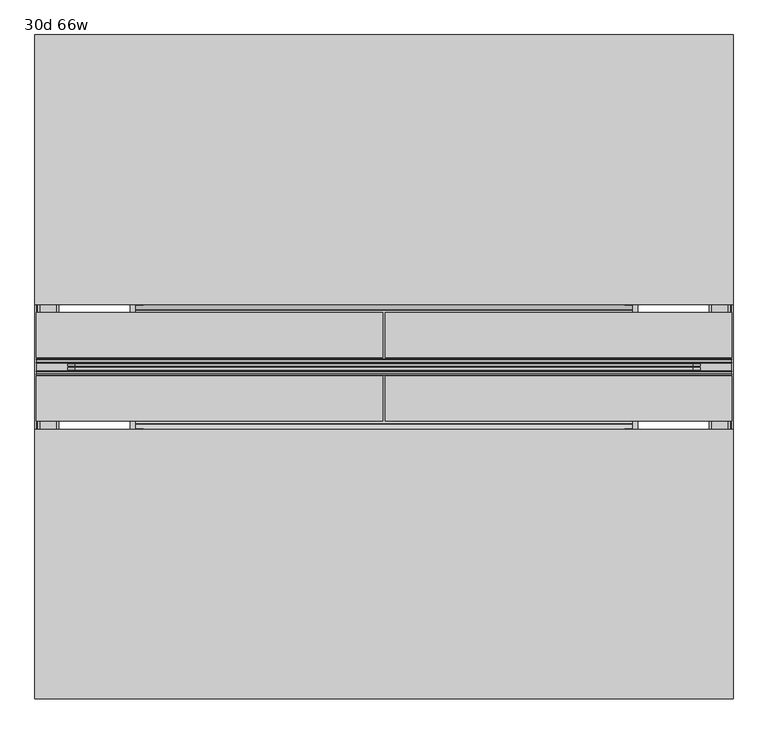
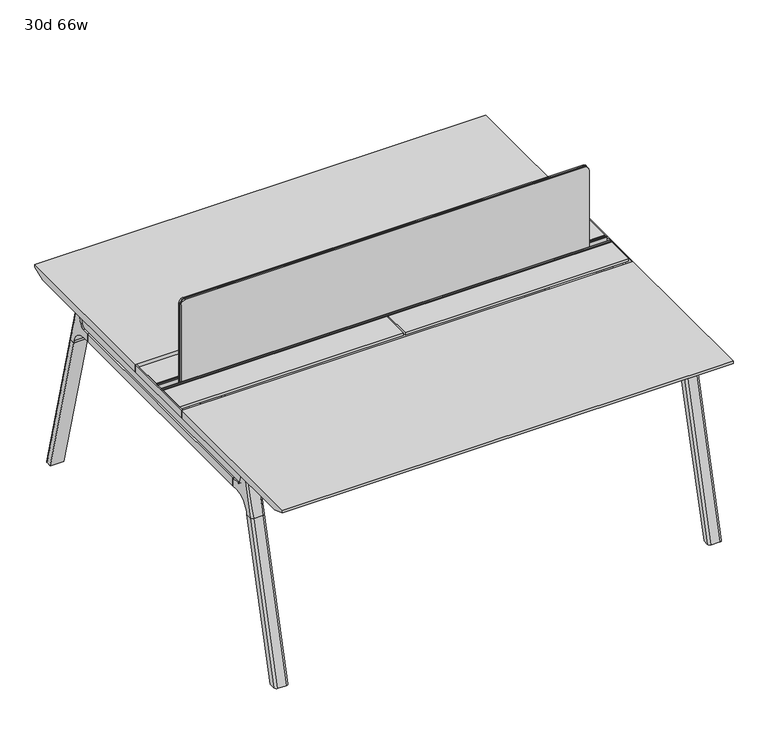
"""IFC4 building model written with IfcOpenShell, lengths in millimetres: furniture geometry, 30d 66w."""

from ifc_helpers import new_model, si_unit, point, frame, frame_2d, origin, place, context, project, spatial, polyline, circle_curve, ellipse_curve, trimmed, segment, composite_curve, outline, extrude, source, transform, mapped, element, save
from ifc_brep_helpers import plane_surface, cylinder_surface, revolved_surface, advanced_brep


def furniture_30d_66w_aaa3bb7a(model_context):
    return source(origin(), model_context, "Body", "SolidModel", [
        extrude(outline(composite_curve([segment(polyline([(1054.89375, 955.675), (1054.89375, -523.875)]), True, "CONTINUOUS"), segment(trimmed(circle_curve(frame_2d((1039.01875, -523.875)), 15.875), [point((1054.89375, -523.875))], [point((1039.01875, -539.75))], False, "CARTESIAN"), True, "CONTINUOUS"), segment(polyline([(1039.01875, -539.75), (720.725, -539.75), (720.725, 971.55), (1039.01875, 971.55)]), True, "CONTINUOUS"), segment(trimmed(circle_curve(frame_2d((1039.01875, 955.675)), 15.875), [point((1039.01875, 971.55))], [point((1054.89375, 955.675))], False, "CARTESIAN"), True, "CONTINUOUS")], self_intersect=False)), frame((0.0, -201.3409766, 0.0), z_axis=(0.0, 1.0, 0.0), x_axis=(0.0, 0.0, 1.0)), (0.0, 0.0, 1.0), 3.175),
        extrude(outline(composite_curve([segment(polyline([(1058.06875, 958.85), (1058.06875, -527.05)]), True, "CONTINUOUS"), segment(trimmed(circle_curve(frame_2d((1042.19375, -527.05)), 15.875), [point((1058.06875, -527.05))], [point((1042.19375, -542.925))], False, "CARTESIAN"), True, "CONTINUOUS"), segment(polyline([(1042.19375, -542.925), (717.55, -542.925), (717.55, 974.725), (1042.19375, 974.725)]), True, "CONTINUOUS"), segment(trimmed(circle_curve(frame_2d((1042.19375, 958.85)), 15.875), [point((1042.19375, 974.725))], [point((1058.06875, 958.85))], False, "CARTESIAN"), True, "CONTINUOUS")], self_intersect=False)), frame((0.0, -198.1659766, 0.0), z_axis=(0.0, 1.0, 0.0), x_axis=(0.0, 0.0, 1.0)), (0.0, 0.0, 1.0), 5.55625),
        extrude(outline(composite_curve([segment(polyline([(1058.06875, 958.85), (1058.06875, -527.05)]), True, "CONTINUOUS"), segment(trimmed(circle_curve(frame_2d((1042.19375, -527.05)), 15.875), [point((1058.06875, -527.05))], [point((1042.19375, -542.925))], False, "CARTESIAN"), True, "CONTINUOUS"), segment(polyline([(1042.19375, -542.925), (717.55, -542.925), (717.55, 974.725), (1042.19375, 974.725)]), True, "CONTINUOUS"), segment(trimmed(circle_curve(frame_2d((1042.19375, 958.85)), 15.875), [point((1042.19375, 974.725))], [point((1058.06875, 958.85))], False, "CARTESIAN"), True, "CONTINUOUS")], self_intersect=False)), frame((0.0, -206.8972266, 0.0), z_axis=(0.0, 1.0, 0.0), x_axis=(0.0, 0.0, 1.0)), (0.0, 0.0, 1.0), 5.55625),
        extrude(outline(polyline([(-348.9784469, 559.4636683), (-364.040663, 627.7843353), (-35.4662901, 627.7843353), (-50.5285062, 559.4636683), (-46.7502281, 557.2647146), (-46.7502281, 549.3667827), (-62.6252238, 521.8704736), (-336.8817293, 521.8704736), (-352.756725, 549.3667827), (-352.756725, 557.2647146), (-348.9784469, 559.4636683)])), frame((812.8, 0.0, 0.0), z_axis=(1.0, 0.0, 0.0), x_axis=(0.0, 1.0, 0.0)), (0.0, 0.0, 1.0), 12.7),
        extrude(outline(polyline([(-348.9784469, 559.4636683), (-364.040663, 627.7843353), (-35.4662901, 627.7843353), (-50.5285062, 559.4636683), (-46.7502281, 557.2647146), (-46.7502281, 549.3667827), (-62.6252238, 521.8704736), (-336.8817293, 521.8704736), (-352.756725, 549.3667827), (-352.756725, 557.2647146), (-348.9784469, 559.4636683)])), frame((-393.7, 0.0, 0.0), z_axis=(1.0, 0.0, 0.0), x_axis=(0.0, 1.0, 0.0)), (0.0, 0.0, 1.0), 12.7),
        extrude(outline(polyline([(-18.0090763, 698.5), (3.7767266, 698.5), (3.7767266, 697.2935087), (-17.4495292, 697.2935087), (-19.0070753, 695.7359626), (-49.1186716, 559.1528512), (-50.5285062, 559.4636683), (-20.404074, 696.1050023), (-18.0090763, 698.5)])), frame((-393.7, 0.0, 0.0), z_axis=(1.0, 0.0, 0.0), x_axis=(0.0, 1.0, 0.0)), (0.0, 0.0, 1.0), 31.8008024),
        extrude(outline(polyline([(-381.4978768, 698.5), (-379.1028791, 696.1050023), (-348.9784469, 559.4636683), (-350.3882815, 559.1528512), (-380.4998778, 695.7359626), (-382.0574239, 697.2935087), (-403.2836797, 697.2935087), (-403.2836797, 698.5), (-381.4978768, 698.5)])), frame((-393.7, 0.0, 0.0), z_axis=(1.0, 0.0, 0.0), x_axis=(0.0, 1.0, 0.0)), (0.0, 0.0, 1.0), 31.8008024),
        extrude(outline(polyline([(-18.0090763, 698.5), (3.7767266, 698.5), (3.7767266, 697.2935087), (-17.4495292, 697.2935087), (-19.0070753, 695.7359626), (-49.1186716, 559.1528512), (-50.5285062, 559.4636683), (-20.404074, 696.1050023), (-18.0090763, 698.5)])), frame((793.6991976, 0.0, 0.0), z_axis=(1.0, 0.0, 0.0), x_axis=(0.0, 1.0, 0.0)), (0.0, 0.0, 1.0), 31.8008024),
        extrude(outline(polyline([(-381.4978768, 698.5), (-379.1028791, 696.1050023), (-348.9784469, 559.4636683), (-350.3882815, 559.1528512), (-380.4998778, 695.7359626), (-382.0574239, 697.2935087), (-403.2836797, 697.2935087), (-403.2836797, 698.5), (-381.4978768, 698.5)])), frame((793.6991976, 0.0, 0.0), z_axis=(1.0, 0.0, 0.0), x_axis=(0.0, 1.0, 0.0)), (0.0, 0.0, 1.0), 31.8008024),
        extrude(outline(polyline([(-353.550475, 557.5934966), (-351.518477, 559.6254947), (-350.957211, 559.0642287), (-352.756725, 557.2647146), (-352.756725, 549.3667827), (-352.5317745, 548.5272622), (-337.4390802, 522.3859395), (-336.0037101, 521.5572272), (-63.503243, 521.5572272), (-62.0678729, 522.3859395), (-46.9751786, 548.5272622), (-46.7502281, 549.3667827), (-46.7502281, 557.2647146), (-48.5497421, 559.0642287), (-47.9884761, 559.6254947), (-45.9564781, 557.5934966), (-45.9564781, 549.2622828), (-46.2355217, 548.2208856), (-61.4868074, 521.8048744), (-63.2905581, 520.7634772), (-336.216395, 520.7634772), (-338.0201457, 521.8048744), (-353.2714314, 548.2208856), (-353.550475, 549.2622828), (-353.550475, 557.5934966)])), frame((-393.6492037, 0.0, 0.0), z_axis=(1.0, 0.0, 0.0), x_axis=(0.0, 1.0, 0.0)), (0.0, 0.0, 1.0), 1219.1492037),
        extrude(outline(polyline([(-218.8034766, 715.9625), (-218.8034766, 741.3625), (-217.2159766, 741.3625), (-217.2159766, 720.725), (-210.8659766, 720.725), (-210.8659766, 741.3625), (-209.2784766, 741.3625), (-209.2784766, 717.55), (-190.2284766, 717.55), (-190.2284766, 741.3625), (-188.6409766, 741.3625), (-188.6409766, 720.725), (-182.2909766, 720.725), (-182.2909766, 741.3625), (-180.7034766, 741.3625), (-180.7034766, 715.9625), (-218.8034766, 715.9625)])), frame((-619.125, 0.0, 0.0), z_axis=(1.0, 0.0, 0.0), x_axis=(0.0, 1.0, 0.0)), (0.0, 0.0, 1.0), 1670.05),
        extrude(outline(composite_curve([segment(polyline([(328.0902734, 711.2), (319.0321726, 677.3947076)]), True, "CONTINUOUS"), segment(trimmed(circle_curve(frame_2d((303.6981001, 681.5034599)), 15.875), [point((319.0321726, 677.3947076))], [point((303.6981001, 665.6284599))], False, "CARTESIAN"), True, "CONTINUOUS"), segment(polyline([(303.6981001, 665.6284599), (-703.2050533, 665.6284599)]), True, "CONTINUOUS"), segment(trimmed(circle_curve(frame_2d((-703.2050533, 681.5034599)), 15.875), [point((-703.2050533, 665.6284599))], [point((-718.5391258, 677.3947076))], False, "CARTESIAN"), True, "CONTINUOUS"), segment(polyline([(-718.5391258, 677.3947076), (-727.5972266, 711.2), (328.0902734, 711.2)]), True, "CONTINUOUS")], self_intersect=False)), frame((1003.3, 0.0, 0.0), z_axis=(1.0, 0.0, 0.0), x_axis=(0.0, 1.0, 0.0)), (0.0, 0.0, 1.0), 38.1),
        extrude(outline(polyline([(1047.75, 267.7652734), (1047.75, -667.2722266), (996.95, -667.2722266), (996.95, 267.7652734), (1047.75, 267.7652734)])), frame((0.0, 0.0, 635.6476591), z_axis=(0.0, 0.0, 1.0), x_axis=(1.0, 0.0, 0.0)), (0.0, 0.0, 1.0), 29.9808008),
        extrude(outline(composite_curve([segment(polyline([(328.0902734, 711.2), (319.0321726, 677.3947076)]), True, "CONTINUOUS"), segment(trimmed(circle_curve(frame_2d((303.6981001, 681.5034599)), 15.875), [point((319.0321726, 677.3947076))], [point((303.6981001, 665.6284599))], False, "CARTESIAN"), True, "CONTINUOUS"), segment(polyline([(303.6981001, 665.6284599), (-703.2050533, 665.6284599)]), True, "CONTINUOUS"), segment(trimmed(circle_curve(frame_2d((-703.2050533, 681.5034599)), 15.875), [point((-703.2050533, 665.6284599))], [point((-718.5391258, 677.3947076))], False, "CARTESIAN"), True, "CONTINUOUS"), segment(polyline([(-718.5391258, 677.3947076), (-727.5972266, 711.2), (328.0902734, 711.2)]), True, "CONTINUOUS")], self_intersect=False)), frame((-609.6, 0.0, 0.0), z_axis=(1.0, 0.0, 0.0), x_axis=(0.0, 1.0, 0.0)), (0.0, 0.0, 1.0), 38.1),
        extrude(outline(polyline([(-565.15, 267.7652734), (-565.15, -667.2722266), (-615.95, -667.2722266), (-615.95, 267.7652734), (-565.15, 267.7652734)])), frame((0.0, 0.0, 635.6476591), z_axis=(0.0, 0.0, 1.0), x_axis=(1.0, 0.0, 0.0)), (0.0, 0.0, 1.0), 29.9808008),
        advanced_brep(
        [(996.95, -721.2935553, 711.2), (996.95, -712.2354545, 677.3947076), (996.95, -696.901382, 665.6284599), (996.95, -667.2722266, 665.6284599), (996.95, -667.2722266, 635.6476591), (996.95, -690.1434588, 635.6476591), (996.95, -754.5465633, 586.2294189), (996.95, -757.1047754, 576.6820411), (996.95, -778.2087453, 576.6820411), (996.95, -742.7601017, 711.2), (1047.75, -757.1047754, 576.6820411), (1047.75, -754.5465633, 586.2294189), (1047.75, -690.1434588, 635.6476591), (1047.75, -667.2722266, 635.6476591), (1047.75, -667.2722266, 665.6284599), (1047.75, -696.901382, 665.6284599), (1047.75, -712.2354545, 677.3947076), (1047.75, -721.2935553, 711.2), (1047.75, -742.7601017, 711.2), (1047.75, -778.2087453, 576.6820411), (1003.2138162, -752.0149462, 711.2), (1041.4861838, -752.0149462, 711.2), (1038.225, -788.0589247, 576.6820411), (1006.475, -788.0589247, 576.6820411)],
        [
            (0, 1),
            (1, 2, circle_curve(frame((996.95, -696.901382, 681.5034599), z_axis=(1.0, 0.0, 0.0), x_axis=(0.0, -1.0, 0.0)), 15.875)),
            (2, 3),
            (3, 4),
            (4, 5),
            (5, 6, circle_curve(frame((996.95, -690.1434588, 568.9726591), z_axis=(1.0, 0.0, 0.0), x_axis=(0.0, -1.0, 0.0)), 66.675)),
            (6, 7),
            (7, 8),
            (8, 9),
            (9, 0),
            (10, 11),
            (11, 12, circle_curve(frame((1047.75, -690.1434588, 568.9726591), z_axis=(-1.0, 0.0, 0.0), x_axis=(0.0, -1.0, 0.0)), 66.675)),
            (12, 13),
            (13, 14),
            (14, 15),
            (15, 16, circle_curve(frame((1047.75, -696.901382, 681.5034599), z_axis=(-1.0, 0.0, 0.0), x_axis=(0.0, -1.0, 0.0)), 15.875)),
            (16, 17),
            (17, 18),
            (18, 19),
            (19, 10),
            (17, 0),
            (9, 20, ellipse_curve(frame((1006.475, -742.7601017, 711.2), z_axis=(0.0, 0.0, 1.0), x_axis=(0.0, -1.0, 0.0)), 9.8501793, 9.525)),
            (20, 21),
            (21, 18, ellipse_curve(frame((1038.225, -742.7601017, 711.2), z_axis=(0.0, 0.0, 1.0), x_axis=(0.0, -1.0, 0.0)), 9.8501793, 9.525)),
            (16, 1),
            (15, 2),
            (14, 3),
            (13, 4),
            (12, 5),
            (11, 6),
            (10, 7),
            (19, 22, ellipse_curve(frame((1038.225, -778.2087453, 576.6820411), z_axis=(0.0, 0.0, -1.0), x_axis=(0.0, -1.0, 0.0)), 9.8501793, 9.525)),
            (22, 23),
            (23, 8, ellipse_curve(frame((1006.475, -778.2087453, 576.6820411), z_axis=(0.0, 0.0, -1.0), x_axis=(0.0, -1.0, 0.0)), 9.8501793, 9.525)),
            (20, 23, ellipse_curve(frame((1006.475, -191.6892106, 2802.3641142), z_axis=(0.0, -0.9659258262890684, 0.2588190451025206), x_axis=(0.0, -0.2588190451025206, -0.9659258262890684)), 2304.1956354, 9.525)),
            (22, 21, ellipse_curve(frame((1038.225, -191.6892106, 2802.3641142), z_axis=(0.0, -0.9659258262890684, 0.2588190451025206), x_axis=(0.0, -0.2588190451025206, -0.9659258262890684)), 2304.1956354, 9.525)),
        ],
        [
            plane_surface(frame((996.95, -752.0149462, 711.2), z_axis=(-1.0, 0.0, 0.0), x_axis=(0.0, 1.0, 0.0))),
            plane_surface(frame((1047.75, -752.0149462, 711.2), z_axis=(1.0, 0.0, 0.0), x_axis=(0.0, -1.0, 0.0))),
            plane_surface(frame((996.95, -752.0149462, 711.2), z_axis=(0.0, 0.0, 1.0), x_axis=(1.0, 0.0, 0.0))),
            plane_surface(frame((996.95, -721.2935553, 711.2), z_axis=(0.0, 0.9659258262890683, 0.2588190451025207), x_axis=(1.0, 0.0, 0.0))),
            revolved_surface(polyline([(1047.75, -712.776382, 681.5034599), (996.95, -712.776382, 681.5034599)]), (1047.75, -696.901382, 681.5034599), (1.0, 0.0, 0.0)),
            plane_surface(frame((996.95, -696.901382, 665.6284599), z_axis=(0.0, 0.0, 1.0), x_axis=(1.0, 0.0, 0.0))),
            plane_surface(frame((996.95, -667.2722266, 665.6284599), z_axis=(0.0, 1.0, 0.0), x_axis=(1.0, 0.0, 0.0))),
            plane_surface(frame((996.95, -667.2722266, 635.6476591), z_axis=(0.0, 0.0, -1.0), x_axis=(1.0, 0.0, 0.0))),
            revolved_surface(polyline([(1047.75, -756.8184587999999, 568.9726591), (996.95, -756.8184587999999, 568.9726591)]), (1047.75, -690.1434588, 568.9726591), (1.0, 0.0, 0.0)),
            plane_surface(frame((996.95, -754.5465633, 586.2294189), z_axis=(0.0, 0.9659258262890693, -0.25881904510251696), x_axis=(1.0, 0.0, 0.0))),
            plane_surface(frame((996.95, -757.1047754, 576.6820411), z_axis=(0.0, 0.0, -1.0), x_axis=(1.0, 0.0, 0.0))),
            plane_surface(frame((996.95, -788.0589247, 576.6820411), z_axis=(0.0, -0.9659258262890684, 0.2588190451025206), x_axis=(1.0, 0.0, 0.0))),
            cylinder_surface(frame((1006.475, -930.8176402, -2.4271979), z_axis=(0.0, -0.25482392474081483, -0.966987470125486), x_axis=(1.0, 0.0, 0.0)), 9.525),
            cylinder_surface(frame((1038.225, -930.8176402, -2.4271979), z_axis=(0.0, -0.25482392474081483, -0.966987470125486), x_axis=(1.0, 0.0, 0.0)), 9.525),
        ],
        [
            (0, [[1, 2, 3, 4, 5, 6, 7, 8, 9, 10]]),
            (1, [[11, 12, 13, 14, 15, 16, 17, 18, 19, 20]]),
            (2, [[21, -10, 22, 23, 24, -18]]),
            (3, [[-1, -21, -17, 25]]),
            (4, [[-2, -25, -16, 26]]),
            (5, [[-3, -26, -15, 27]]),
            (6, [[-4, -27, -14, 28]]),
            (7, [[-5, -28, -13, 29]]),
            (8, [[-6, -29, -12, 30]]),
            (9, [[-7, -30, -11, 31]]),
            (10, [[-31, -20, 32, 33, 34, -8]]),
            (11, [[-23, 35, -33, 36]]),
            (12, [[-9, -34, -35, -22]]),
            (13, [[-19, -24, -36, -32]]),
        ],
    ),
        advanced_brep(
        [(996.95, -757.1047754, 576.6820411), (996.95, -909.0740466, 0.0), (996.95, -930.1780165, 0.0), (996.95, -778.2087453, 576.6820411), (1047.75, -909.0740466, 0.0), (1047.75, -757.1047754, 576.6820411), (1047.75, -778.2087453, 576.6820411), (1047.75, -930.1780165, 0.0), (1006.475, -788.0589247, 576.6820411), (1038.225, -788.0589247, 576.6820411), (1038.225, -940.0281958, 0.0), (1006.475, -940.0281958, 0.0)],
        [
            (0, 1),
            (1, 2),
            (2, 3),
            (3, 0),
            (4, 5),
            (5, 6),
            (6, 7),
            (7, 4),
            (5, 0),
            (3, 8, ellipse_curve(frame((1006.475, -778.2087453, 576.6820411), z_axis=(0.0, 0.0, 1.0), x_axis=(0.0, -1.0, 0.0)), 9.8501793, 9.525)),
            (8, 9),
            (9, 6, ellipse_curve(frame((1038.225, -778.2087453, 576.6820411), z_axis=(0.0, 0.0, 1.0), x_axis=(0.0, -1.0, 0.0)), 9.8501793, 9.525)),
            (4, 1),
            (7, 10, ellipse_curve(frame((1038.225, -930.1780165, 0.0), z_axis=(0.0, 0.0, -1.0), x_axis=(0.0, -1.0, 0.0)), 9.8501793, 9.525)),
            (10, 11),
            (11, 2, ellipse_curve(frame((1006.475, -930.1780165, 0.0), z_axis=(0.0, 0.0, -1.0), x_axis=(0.0, -1.0, 0.0)), 9.8501793, 9.525)),
            (8, 11),
            (10, 9),
        ],
        [
            plane_surface(frame((996.95, -788.0589247, 576.6820411), z_axis=(-1.0, 0.0, 0.0), x_axis=(0.0, 1.0, 0.0))),
            plane_surface(frame((1047.75, -788.0589247, 576.6820411), z_axis=(1.0, 0.0, 0.0), x_axis=(0.0, -1.0, 0.0))),
            plane_surface(frame((996.95, -788.0589247, 576.6820411), z_axis=(0.0, 0.0, 1.0), x_axis=(1.0, 0.0, 0.0))),
            plane_surface(frame((996.95, -757.1047754, 576.6820411), z_axis=(0.0, 0.9669874701254844, -0.2548239247408208), x_axis=(1.0, 0.0, 0.0))),
            plane_surface(frame((996.95, -909.0740466, 0.0), z_axis=(0.0, 0.0, -1.0), x_axis=(1.0, 0.0, 0.0))),
            plane_surface(frame((996.95, -940.0281958, 0.0), z_axis=(0.0, -0.9669874701254855, 0.2548239247408166), x_axis=(1.0, 0.0, 0.0))),
            cylinder_surface(frame((1006.475, -930.8176402, -2.4271979), z_axis=(0.0, -0.25482392474081483, -0.966987470125486), x_axis=(1.0, 0.0, 0.0)), 9.525),
            cylinder_surface(frame((1038.225, -930.8176402, -2.4271979), z_axis=(0.0, -0.25482392474081483, -0.966987470125486), x_axis=(1.0, 0.0, 0.0)), 9.525),
        ],
        [
            (0, [[1, 2, 3, 4]]),
            (1, [[5, 6, 7, 8]]),
            (2, [[9, -4, 10, 11, 12, -6]]),
            (3, [[-1, -9, -5, 13]]),
            (4, [[-13, -8, 14, 15, 16, -2]]),
            (5, [[-11, 17, -15, 18]]),
            (6, [[-3, -16, -17, -10]]),
            (7, [[-7, -12, -18, -14]]),
        ],
    ),
        advanced_brep(
        [(1047.75, 321.7866022, 711.2), (1047.75, 312.7285014, 677.3947076), (1047.75, 297.3944289, 665.6284599), (1047.75, 267.7652734, 665.6284599), (1047.75, 267.7652734, 635.6476591), (1047.75, 290.6365057, 635.6476591), (1047.75, 355.0396101, 586.2294189), (1047.75, 357.5978223, 576.6820411), (1047.75, 378.7017922, 576.6820411), (1047.75, 343.2531486, 711.2), (996.95, 357.5978223, 576.6820411), (996.95, 355.0396101, 586.2294189), (996.95, 290.6365057, 635.6476591), (996.95, 267.7652734, 635.6476591), (996.95, 267.7652734, 665.6284599), (996.95, 297.3944289, 665.6284599), (996.95, 312.7285014, 677.3947076), (996.95, 321.7866022, 711.2), (996.95, 343.2531486, 711.2), (996.95, 378.7017922, 576.6820411), (1041.4861838, 352.5079931, 711.2), (1003.2138162, 352.5079931, 711.2), (1006.475, 388.5519716, 576.6820411), (1038.225, 388.5519716, 576.6820411)],
        [
            (0, 1),
            (1, 2, circle_curve(frame((1047.75, 297.3944289, 681.5034599), z_axis=(-1.0, 0.0, 0.0), x_axis=(0.0, 1.0, 0.0)), 15.875)),
            (2, 3),
            (3, 4),
            (4, 5),
            (5, 6, circle_curve(frame((1047.75, 290.6365057, 568.9726591), z_axis=(-1.0, 0.0, 0.0), x_axis=(0.0, 1.0, 0.0)), 66.675)),
            (6, 7),
            (7, 8),
            (8, 9),
            (9, 0),
            (10, 11),
            (11, 12, circle_curve(frame((996.95, 290.6365057, 568.9726591), z_axis=(1.0, 0.0, 0.0), x_axis=(0.0, 1.0, 0.0)), 66.675)),
            (12, 13),
            (13, 14),
            (14, 15),
            (15, 16, circle_curve(frame((996.95, 297.3944289, 681.5034599), z_axis=(1.0, 0.0, 0.0), x_axis=(0.0, 1.0, 0.0)), 15.875)),
            (16, 17),
            (17, 18),
            (18, 19),
            (19, 10),
            (17, 0),
            (9, 20, ellipse_curve(frame((1038.225, 343.2531486, 711.2), z_axis=(0.0, 0.0, 1.0), x_axis=(0.0, 1.0, 0.0)), 9.8501793, 9.525)),
            (20, 21),
            (21, 18, ellipse_curve(frame((1006.475, 343.2531486, 711.2), z_axis=(0.0, 0.0, 1.0), x_axis=(0.0, 1.0, 0.0)), 9.8501793, 9.525)),
            (16, 1),
            (15, 2),
            (14, 3),
            (13, 4),
            (12, 5),
            (11, 6),
            (10, 7),
            (19, 22, ellipse_curve(frame((1006.475, 378.7017922, 576.6820411), z_axis=(0.0, 0.0, -1.0), x_axis=(0.0, 1.0, 0.0)), 9.8501793, 9.525)),
            (22, 23),
            (23, 8, ellipse_curve(frame((1038.225, 378.7017922, 576.6820411), z_axis=(0.0, 0.0, -1.0), x_axis=(0.0, 1.0, 0.0)), 9.8501793, 9.525)),
            (20, 23, ellipse_curve(frame((1038.225, -207.8177425, 2802.3641142), z_axis=(0.0, 0.9659258262890684, 0.2588190451025206), x_axis=(0.0, 0.2588190451025206, -0.9659258262890684)), 2304.1956354, 9.525)),
            (22, 21, ellipse_curve(frame((1006.475, -207.8177425, 2802.3641142), z_axis=(0.0, 0.9659258262890684, 0.2588190451025206), x_axis=(0.0, 0.2588190451025206, -0.9659258262890684)), 2304.1956354, 9.525)),
        ],
        [
            plane_surface(frame((1047.75, 352.5079931, 711.2), z_axis=(1.0, 0.0, 0.0), x_axis=(0.0, -1.0, 0.0))),
            plane_surface(frame((996.95, 352.5079931, 711.2), z_axis=(-1.0, 0.0, 0.0), x_axis=(0.0, 1.0, 0.0))),
            plane_surface(frame((1047.75, 352.5079931, 711.2), z_axis=(0.0, 0.0, 1.0), x_axis=(-1.0, 0.0, 0.0))),
            plane_surface(frame((1047.75, 321.7866022, 711.2), z_axis=(0.0, -0.9659258262890683, 0.2588190451025207), x_axis=(-1.0, 0.0, 0.0))),
            revolved_surface(polyline([(996.95, 313.2694289, 681.5034599), (1047.75, 313.2694289, 681.5034599)]), (996.95, 297.3944289, 681.5034599), (-1.0, 0.0, 0.0)),
            plane_surface(frame((1047.75, 297.3944289, 665.6284599), z_axis=(0.0, 0.0, 1.0), x_axis=(-1.0, 0.0, 0.0))),
            plane_surface(frame((1047.75, 267.7652734, 665.6284599), z_axis=(0.0, -1.0, 0.0), x_axis=(-1.0, 0.0, 0.0))),
            plane_surface(frame((1047.75, 267.7652734, 635.6476591), z_axis=(0.0, 0.0, -1.0), x_axis=(-1.0, 0.0, 0.0))),
            revolved_surface(polyline([(996.95, 357.3115057, 568.9726591), (1047.75, 357.3115057, 568.9726591)]), (996.95, 290.6365057, 568.9726591), (-1.0, 0.0, 0.0)),
            plane_surface(frame((1047.75, 355.0396101, 586.2294189), z_axis=(0.0, -0.9659258262890693, -0.25881904510251696), x_axis=(-1.0, 0.0, 0.0))),
            plane_surface(frame((1047.75, 357.5978223, 576.6820411), z_axis=(0.0, 0.0, -1.0), x_axis=(-1.0, 0.0, 0.0))),
            plane_surface(frame((1047.75, 388.5519716, 576.6820411), z_axis=(0.0, 0.9659258262890684, 0.2588190451025206), x_axis=(-1.0, 0.0, 0.0))),
            cylinder_surface(frame((1038.225, 531.3106871, -2.4271979), z_axis=(0.0, 0.25482392474081483, -0.966987470125486), x_axis=(-1.0, 0.0, 0.0)), 9.525),
            cylinder_surface(frame((1006.475, 531.3106871, -2.4271979), z_axis=(0.0, 0.25482392474081483, -0.966987470125486), x_axis=(-1.0, 0.0, 0.0)), 9.525),
        ],
        [
            (0, [[1, 2, 3, 4, 5, 6, 7, 8, 9, 10]]),
            (1, [[11, 12, 13, 14, 15, 16, 17, 18, 19, 20]]),
            (2, [[21, -10, 22, 23, 24, -18]]),
            (3, [[-1, -21, -17, 25]]),
            (4, [[-2, -25, -16, 26]]),
            (5, [[-3, -26, -15, 27]]),
            (6, [[-4, -27, -14, 28]]),
            (7, [[-5, -28, -13, 29]]),
            (8, [[-6, -29, -12, 30]]),
            (9, [[-7, -30, -11, 31]]),
            (10, [[-31, -20, 32, 33, 34, -8]]),
            (11, [[-23, 35, -33, 36]]),
            (12, [[-9, -34, -35, -22]]),
            (13, [[-19, -24, -36, -32]]),
        ],
    ),
        advanced_brep(
        [(1047.75, 357.5978223, 576.6820411), (1047.75, 509.5670935, 0.0), (1047.75, 530.6710634, 0.0), (1047.75, 378.7017922, 576.6820411), (996.95, 509.5670935, 0.0), (996.95, 357.5978223, 576.6820411), (996.95, 378.7017922, 576.6820411), (996.95, 530.6710634, 0.0), (1038.225, 388.5519716, 576.6820411), (1006.475, 388.5519716, 576.6820411), (1006.475, 540.5212427, 0.0), (1038.225, 540.5212427, 0.0)],
        [
            (0, 1),
            (1, 2),
            (2, 3),
            (3, 0),
            (4, 5),
            (5, 6),
            (6, 7),
            (7, 4),
            (5, 0),
            (3, 8, ellipse_curve(frame((1038.225, 378.7017922, 576.6820411), z_axis=(0.0, 0.0, 1.0), x_axis=(0.0, 1.0, 0.0)), 9.8501793, 9.525)),
            (8, 9),
            (9, 6, ellipse_curve(frame((1006.475, 378.7017922, 576.6820411), z_axis=(0.0, 0.0, 1.0), x_axis=(0.0, 1.0, 0.0)), 9.8501793, 9.525)),
            (4, 1),
            (7, 10, ellipse_curve(frame((1006.475, 530.6710634, 0.0), z_axis=(0.0, 0.0, -1.0), x_axis=(0.0, 1.0, 0.0)), 9.8501793, 9.525)),
            (10, 11),
            (11, 2, ellipse_curve(frame((1038.225, 530.6710634, 0.0), z_axis=(0.0, 0.0, -1.0), x_axis=(0.0, 1.0, 0.0)), 9.8501793, 9.525)),
            (8, 11),
            (10, 9),
        ],
        [
            plane_surface(frame((1047.75, 388.5519716, 576.6820411), z_axis=(1.0, 0.0, 0.0), x_axis=(0.0, -1.0, 0.0))),
            plane_surface(frame((996.95, 388.5519716, 576.6820411), z_axis=(-1.0, 0.0, 0.0), x_axis=(0.0, 1.0, 0.0))),
            plane_surface(frame((1047.75, 388.5519716, 576.6820411), z_axis=(0.0, 0.0, 1.0), x_axis=(-1.0, 0.0, 0.0))),
            plane_surface(frame((1047.75, 357.5978223, 576.6820411), z_axis=(0.0, -0.9669874701254844, -0.2548239247408208), x_axis=(-1.0, 0.0, 0.0))),
            plane_surface(frame((1047.75, 509.5670935, 0.0), z_axis=(0.0, 0.0, -1.0), x_axis=(-1.0, 0.0, 0.0))),
            plane_surface(frame((1047.75, 540.5212427, 0.0), z_axis=(0.0, 0.9669874701254855, 0.2548239247408166), x_axis=(-1.0, 0.0, 0.0))),
            cylinder_surface(frame((1038.225, 531.3106871, -2.4271979), z_axis=(0.0, 0.25482392474081483, -0.966987470125486), x_axis=(-1.0, 0.0, 0.0)), 9.525),
            cylinder_surface(frame((1006.475, 531.3106871, -2.4271979), z_axis=(0.0, 0.25482392474081483, -0.966987470125486), x_axis=(-1.0, 0.0, 0.0)), 9.525),
        ],
        [
            (0, [[1, 2, 3, 4]]),
            (1, [[5, 6, 7, 8]]),
            (2, [[9, -4, 10, 11, 12, -6]]),
            (3, [[-1, -9, -5, 13]]),
            (4, [[-13, -8, 14, 15, 16, -2]]),
            (5, [[-11, 17, -15, 18]]),
            (6, [[-3, -16, -17, -10]]),
            (7, [[-7, -12, -18, -14]]),
        ],
    ),
        advanced_brep(
        [(-565.15, 321.7866022, 711.2), (-565.15, 312.7285014, 677.3947076), (-565.15, 297.3944289, 665.6284599), (-565.15, 267.7652734, 665.6284599), (-565.15, 267.7652734, 635.6476591), (-565.15, 290.6365057, 635.6476591), (-565.15, 355.0396101, 586.2294189), (-565.15, 357.5978223, 576.6820411), (-565.15, 378.7017922, 576.6820411), (-565.15, 343.2531486, 711.2), (-615.95, 357.5978223, 576.6820411), (-615.95, 355.0396101, 586.2294189), (-615.95, 290.6365057, 635.6476591), (-615.95, 267.7652734, 635.6476591), (-615.95, 267.7652734, 665.6284599), (-615.95, 297.3944289, 665.6284599), (-615.95, 312.7285014, 677.3947076), (-615.95, 321.7866022, 711.2), (-615.95, 343.2531486, 711.2), (-615.95, 378.7017922, 576.6820411), (-571.4138162, 352.5079931, 711.2), (-609.6861838, 352.5079931, 711.2), (-606.425, 388.5519716, 576.6820411), (-574.675, 388.5519716, 576.6820411)],
        [
            (0, 1),
            (1, 2, circle_curve(frame((-565.15, 297.3944289, 681.5034599), z_axis=(-1.0, 0.0, 0.0), x_axis=(0.0, 1.0, 0.0)), 15.875)),
            (2, 3),
            (3, 4),
            (4, 5),
            (5, 6, circle_curve(frame((-565.15, 290.6365057, 568.9726591), z_axis=(-1.0, 0.0, 0.0), x_axis=(0.0, 1.0, 0.0)), 66.675)),
            (6, 7),
            (7, 8),
            (8, 9),
            (9, 0),
            (10, 11),
            (11, 12, circle_curve(frame((-615.95, 290.6365057, 568.9726591), z_axis=(1.0, 0.0, 0.0), x_axis=(0.0, 1.0, 0.0)), 66.675)),
            (12, 13),
            (13, 14),
            (14, 15),
            (15, 16, circle_curve(frame((-615.95, 297.3944289, 681.5034599), z_axis=(1.0, 0.0, 0.0), x_axis=(0.0, 1.0, 0.0)), 15.875)),
            (16, 17),
            (17, 18),
            (18, 19),
            (19, 10),
            (17, 0),
            (9, 20, ellipse_curve(frame((-574.675, 343.2531486, 711.2), z_axis=(0.0, 0.0, 1.0), x_axis=(0.0, 1.0, 0.0)), 9.8501793, 9.525)),
            (20, 21),
            (21, 18, ellipse_curve(frame((-606.425, 343.2531486, 711.2), z_axis=(0.0, 0.0, 1.0), x_axis=(0.0, 1.0, 0.0)), 9.8501793, 9.525)),
            (16, 1),
            (15, 2),
            (14, 3),
            (13, 4),
            (12, 5),
            (11, 6),
            (10, 7),
            (19, 22, ellipse_curve(frame((-606.425, 378.7017922, 576.6820411), z_axis=(0.0, 0.0, -1.0), x_axis=(0.0, 1.0, 0.0)), 9.8501793, 9.525)),
            (22, 23),
            (23, 8, ellipse_curve(frame((-574.675, 378.7017922, 576.6820411), z_axis=(0.0, 0.0, -1.0), x_axis=(0.0, 1.0, 0.0)), 9.8501793, 9.525)),
            (20, 23, ellipse_curve(frame((-574.675, -207.8177425, 2802.3641142), z_axis=(0.0, 0.9659258262890684, 0.2588190451025206), x_axis=(0.0, 0.2588190451025206, -0.9659258262890684)), 2304.1956354, 9.525)),
            (22, 21, ellipse_curve(frame((-606.425, -207.8177425, 2802.3641142), z_axis=(0.0, 0.9659258262890684, 0.2588190451025206), x_axis=(0.0, 0.2588190451025206, -0.9659258262890684)), 2304.1956354, 9.525)),
        ],
        [
            plane_surface(frame((-565.15, 352.5079931, 711.2), z_axis=(1.0, 0.0, 0.0), x_axis=(0.0, -1.0, 0.0))),
            plane_surface(frame((-615.95, 352.5079931, 711.2), z_axis=(-1.0, 0.0, 0.0), x_axis=(0.0, 1.0, 0.0))),
            plane_surface(frame((-565.15, 352.5079931, 711.2), z_axis=(0.0, 0.0, 1.0), x_axis=(-1.0, 0.0, 0.0))),
            plane_surface(frame((-565.15, 321.7866022, 711.2), z_axis=(0.0, -0.9659258262890683, 0.2588190451025207), x_axis=(-1.0, 0.0, 0.0))),
            revolved_surface(polyline([(-615.95, 313.2694289, 681.5034599), (-565.15, 313.2694289, 681.5034599)]), (-615.95, 297.3944289, 681.5034599), (-1.0, 0.0, 0.0)),
            plane_surface(frame((-565.15, 297.3944289, 665.6284599), z_axis=(0.0, 0.0, 1.0), x_axis=(-1.0, 0.0, 0.0))),
            plane_surface(frame((-565.15, 267.7652734, 665.6284599), z_axis=(0.0, -1.0, 0.0), x_axis=(-1.0, 0.0, 0.0))),
            plane_surface(frame((-565.15, 267.7652734, 635.6476591), z_axis=(0.0, 0.0, -1.0), x_axis=(-1.0, 0.0, 0.0))),
            revolved_surface(polyline([(-615.95, 357.3115057, 568.9726591), (-565.15, 357.3115057, 568.9726591)]), (-615.95, 290.6365057, 568.9726591), (-1.0, 0.0, 0.0)),
            plane_surface(frame((-565.15, 355.0396101, 586.2294189), z_axis=(0.0, -0.9659258262890693, -0.25881904510251696), x_axis=(-1.0, 0.0, 0.0))),
            plane_surface(frame((-565.15, 357.5978223, 576.6820411), z_axis=(0.0, 0.0, -1.0), x_axis=(-1.0, 0.0, 0.0))),
            plane_surface(frame((-565.15, 388.5519716, 576.6820411), z_axis=(0.0, 0.9659258262890684, 0.2588190451025206), x_axis=(-1.0, 0.0, 0.0))),
            cylinder_surface(frame((-574.675, 531.3106871, -2.4271979), z_axis=(0.0, 0.25482392474081483, -0.966987470125486), x_axis=(-1.0, 0.0, 0.0)), 9.525),
            cylinder_surface(frame((-606.425, 531.3106871, -2.4271979), z_axis=(0.0, 0.25482392474081483, -0.966987470125486), x_axis=(-1.0, 0.0, 0.0)), 9.525),
        ],
        [
            (0, [[1, 2, 3, 4, 5, 6, 7, 8, 9, 10]]),
            (1, [[11, 12, 13, 14, 15, 16, 17, 18, 19, 20]]),
            (2, [[21, -10, 22, 23, 24, -18]]),
            (3, [[-1, -21, -17, 25]]),
            (4, [[-2, -25, -16, 26]]),
            (5, [[-3, -26, -15, 27]]),
            (6, [[-4, -27, -14, 28]]),
            (7, [[-5, -28, -13, 29]]),
            (8, [[-6, -29, -12, 30]]),
            (9, [[-7, -30, -11, 31]]),
            (10, [[-31, -20, 32, 33, 34, -8]]),
            (11, [[-23, 35, -33, 36]]),
            (12, [[-9, -34, -35, -22]]),
            (13, [[-19, -24, -36, -32]]),
        ],
    ),
        advanced_brep(
        [(-565.15, 357.5978223, 576.6820411), (-565.15, 509.5670935, 0.0), (-565.15, 530.6710634, 0.0), (-565.15, 378.7017922, 576.6820411), (-615.95, 509.5670935, 0.0), (-615.95, 357.5978223, 576.6820411), (-615.95, 378.7017922, 576.6820411), (-615.95, 530.6710634, 0.0), (-574.675, 388.5519716, 576.6820411), (-606.425, 388.5519716, 576.6820411), (-606.425, 540.5212427, 0.0), (-574.675, 540.5212427, 0.0)],
        [
            (0, 1),
            (1, 2),
            (2, 3),
            (3, 0),
            (4, 5),
            (5, 6),
            (6, 7),
            (7, 4),
            (5, 0),
            (3, 8, ellipse_curve(frame((-574.675, 378.7017922, 576.6820411), z_axis=(0.0, 0.0, 1.0), x_axis=(0.0, 1.0, 0.0)), 9.8501793, 9.525)),
            (8, 9),
            (9, 6, ellipse_curve(frame((-606.425, 378.7017922, 576.6820411), z_axis=(0.0, 0.0, 1.0), x_axis=(0.0, 1.0, 0.0)), 9.8501793, 9.525)),
            (4, 1),
            (7, 10, ellipse_curve(frame((-606.425, 530.6710634, 0.0), z_axis=(0.0, 0.0, -1.0), x_axis=(0.0, 1.0, 0.0)), 9.8501793, 9.525)),
            (10, 11),
            (11, 2, ellipse_curve(frame((-574.675, 530.6710634, 0.0), z_axis=(0.0, 0.0, -1.0), x_axis=(0.0, 1.0, 0.0)), 9.8501793, 9.525)),
            (8, 11),
            (10, 9),
        ],
        [
            plane_surface(frame((-565.15, 388.5519716, 576.6820411), z_axis=(1.0, 0.0, 0.0), x_axis=(0.0, -1.0, 0.0))),
            plane_surface(frame((-615.95, 388.5519716, 576.6820411), z_axis=(-1.0, 0.0, 0.0), x_axis=(0.0, 1.0, 0.0))),
            plane_surface(frame((-565.15, 388.5519716, 576.6820411), z_axis=(0.0, 0.0, 1.0), x_axis=(-1.0, 0.0, 0.0))),
            plane_surface(frame((-565.15, 357.5978223, 576.6820411), z_axis=(0.0, -0.9669874701254844, -0.2548239247408208), x_axis=(-1.0, 0.0, 0.0))),
            plane_surface(frame((-565.15, 509.5670935, 0.0), z_axis=(0.0, 0.0, -1.0), x_axis=(-1.0, 0.0, 0.0))),
            plane_surface(frame((-565.15, 540.5212427, 0.0), z_axis=(0.0, 0.9669874701254855, 0.2548239247408166), x_axis=(-1.0, 0.0, 0.0))),
            cylinder_surface(frame((-574.675, 531.3106871, -2.4271979), z_axis=(0.0, 0.25482392474081483, -0.966987470125486), x_axis=(-1.0, 0.0, 0.0)), 9.525),
            cylinder_surface(frame((-606.425, 531.3106871, -2.4271979), z_axis=(0.0, 0.25482392474081483, -0.966987470125486), x_axis=(-1.0, 0.0, 0.0)), 9.525),
        ],
        [
            (0, [[1, 2, 3, 4]]),
            (1, [[5, 6, 7, 8]]),
            (2, [[9, -4, 10, 11, 12, -6]]),
            (3, [[-1, -9, -5, 13]]),
            (4, [[-13, -8, 14, 15, 16, -2]]),
            (5, [[-11, 17, -15, 18]]),
            (6, [[-3, -16, -17, -10]]),
            (7, [[-7, -12, -18, -14]]),
        ],
    ),
        advanced_brep(
        [(-615.95, -721.2935553, 711.2), (-615.95, -712.2354545, 677.3947076), (-615.95, -696.901382, 665.6284599), (-615.95, -667.2722266, 665.6284599), (-615.95, -667.2722266, 635.6476591), (-615.95, -690.1434588, 635.6476591), (-615.95, -754.5465633, 586.2294189), (-615.95, -757.1047754, 576.6820411), (-615.95, -778.2087453, 576.6820411), (-615.95, -742.7601017, 711.2), (-565.15, -757.1047754, 576.6820411), (-565.15, -754.5465633, 586.2294189), (-565.15, -690.1434588, 635.6476591), (-565.15, -667.2722266, 635.6476591), (-565.15, -667.2722266, 665.6284599), (-565.15, -696.901382, 665.6284599), (-565.15, -712.2354545, 677.3947076), (-565.15, -721.2935553, 711.2), (-565.15, -742.7601017, 711.2), (-565.15, -778.2087453, 576.6820411), (-609.6861838, -752.0149462, 711.2), (-571.4138162, -752.0149462, 711.2), (-574.675, -788.0589247, 576.6820411), (-606.425, -788.0589247, 576.6820411)],
        [
            (0, 1),
            (1, 2, circle_curve(frame((-615.95, -696.901382, 681.5034599), z_axis=(1.0, 0.0, 0.0), x_axis=(0.0, -1.0, 0.0)), 15.875)),
            (2, 3),
            (3, 4),
            (4, 5),
            (5, 6, circle_curve(frame((-615.95, -690.1434588, 568.9726591), z_axis=(1.0, 0.0, 0.0), x_axis=(0.0, -1.0, 0.0)), 66.675)),
            (6, 7),
            (7, 8),
            (8, 9),
            (9, 0),
            (10, 11),
            (11, 12, circle_curve(frame((-565.15, -690.1434588, 568.9726591), z_axis=(-1.0, 0.0, 0.0), x_axis=(0.0, -1.0, 0.0)), 66.675)),
            (12, 13),
            (13, 14),
            (14, 15),
            (15, 16, circle_curve(frame((-565.15, -696.901382, 681.5034599), z_axis=(-1.0, 0.0, 0.0), x_axis=(0.0, -1.0, 0.0)), 15.875)),
            (16, 17),
            (17, 18),
            (18, 19),
            (19, 10),
            (17, 0),
            (9, 20, ellipse_curve(frame((-606.425, -742.7601017, 711.2), z_axis=(0.0, 0.0, 1.0), x_axis=(0.0, -1.0, 0.0)), 9.8501793, 9.525)),
            (20, 21),
            (21, 18, ellipse_curve(frame((-574.675, -742.7601017, 711.2), z_axis=(0.0, 0.0, 1.0), x_axis=(0.0, -1.0, 0.0)), 9.8501793, 9.525)),
            (16, 1),
            (15, 2),
            (14, 3),
            (13, 4),
            (12, 5),
            (11, 6),
            (10, 7),
            (19, 22, ellipse_curve(frame((-574.675, -778.2087453, 576.6820411), z_axis=(0.0, 0.0, -1.0), x_axis=(0.0, -1.0, 0.0)), 9.8501793, 9.525)),
            (22, 23),
            (23, 8, ellipse_curve(frame((-606.425, -778.2087453, 576.6820411), z_axis=(0.0, 0.0, -1.0), x_axis=(0.0, -1.0, 0.0)), 9.8501793, 9.525)),
            (20, 23, ellipse_curve(frame((-606.425, -191.6892106, 2802.3641142), z_axis=(0.0, -0.9659258262890684, 0.2588190451025206), x_axis=(0.0, -0.2588190451025206, -0.9659258262890684)), 2304.1956354, 9.525)),
            (22, 21, ellipse_curve(frame((-574.675, -191.6892106, 2802.3641142), z_axis=(0.0, -0.9659258262890684, 0.2588190451025206), x_axis=(0.0, -0.2588190451025206, -0.9659258262890684)), 2304.1956354, 9.525)),
        ],
        [
            plane_surface(frame((-615.95, -752.0149462, 711.2), z_axis=(-1.0, 0.0, 0.0), x_axis=(0.0, 1.0, 0.0))),
            plane_surface(frame((-565.15, -752.0149462, 711.2), z_axis=(1.0, 0.0, 0.0), x_axis=(0.0, -1.0, 0.0))),
            plane_surface(frame((-615.95, -752.0149462, 711.2), z_axis=(0.0, 0.0, 1.0), x_axis=(1.0, 0.0, 0.0))),
            plane_surface(frame((-615.95, -721.2935553, 711.2), z_axis=(0.0, 0.9659258262890683, 0.2588190451025207), x_axis=(1.0, 0.0, 0.0))),
            revolved_surface(polyline([(-565.15, -712.776382, 681.5034599), (-615.95, -712.776382, 681.5034599)]), (-565.15, -696.901382, 681.5034599), (1.0, 0.0, 0.0)),
            plane_surface(frame((-615.95, -696.901382, 665.6284599), z_axis=(0.0, 0.0, 1.0), x_axis=(1.0, 0.0, 0.0))),
            plane_surface(frame((-615.95, -667.2722266, 665.6284599), z_axis=(0.0, 1.0, 0.0), x_axis=(1.0, 0.0, 0.0))),
            plane_surface(frame((-615.95, -667.2722266, 635.6476591), z_axis=(0.0, 0.0, -1.0), x_axis=(1.0, 0.0, 0.0))),
            revolved_surface(polyline([(-565.15, -756.8184587999999, 568.9726591), (-615.95, -756.8184587999999, 568.9726591)]), (-565.15, -690.1434588, 568.9726591), (1.0, 0.0, 0.0)),
            plane_surface(frame((-615.95, -754.5465633, 586.2294189), z_axis=(0.0, 0.9659258262890693, -0.25881904510251696), x_axis=(1.0, 0.0, 0.0))),
            plane_surface(frame((-615.95, -757.1047754, 576.6820411), z_axis=(0.0, 0.0, -1.0), x_axis=(1.0, 0.0, 0.0))),
            plane_surface(frame((-615.95, -788.0589247, 576.6820411), z_axis=(0.0, -0.9659258262890684, 0.2588190451025206), x_axis=(1.0, 0.0, 0.0))),
            cylinder_surface(frame((-606.425, -930.8176402, -2.4271979), z_axis=(0.0, -0.25482392474081483, -0.966987470125486), x_axis=(1.0, 0.0, 0.0)), 9.525),
            cylinder_surface(frame((-574.675, -930.8176402, -2.4271979), z_axis=(0.0, -0.25482392474081483, -0.966987470125486), x_axis=(1.0, 0.0, 0.0)), 9.525),
        ],
        [
            (0, [[1, 2, 3, 4, 5, 6, 7, 8, 9, 10]]),
            (1, [[11, 12, 13, 14, 15, 16, 17, 18, 19, 20]]),
            (2, [[21, -10, 22, 23, 24, -18]]),
            (3, [[-1, -21, -17, 25]]),
            (4, [[-2, -25, -16, 26]]),
            (5, [[-3, -26, -15, 27]]),
            (6, [[-4, -27, -14, 28]]),
            (7, [[-5, -28, -13, 29]]),
            (8, [[-6, -29, -12, 30]]),
            (9, [[-7, -30, -11, 31]]),
            (10, [[-31, -20, 32, 33, 34, -8]]),
            (11, [[-23, 35, -33, 36]]),
            (12, [[-9, -34, -35, -22]]),
            (13, [[-19, -24, -36, -32]]),
        ],
    ),
        advanced_brep(
        [(-615.95, -757.1047754, 576.6820411), (-615.95, -909.0740466, 0.0), (-615.95, -930.1780165, 0.0), (-615.95, -778.2087453, 576.6820411), (-565.15, -909.0740466, 0.0), (-565.15, -757.1047754, 576.6820411), (-565.15, -778.2087453, 576.6820411), (-565.15, -930.1780165, 0.0), (-606.425, -788.0589247, 576.6820411), (-574.675, -788.0589247, 576.6820411), (-574.675, -940.0281958, 0.0), (-606.425, -940.0281958, 0.0)],
        [
            (0, 1),
            (1, 2),
            (2, 3),
            (3, 0),
            (4, 5),
            (5, 6),
            (6, 7),
            (7, 4),
            (5, 0),
            (3, 8, ellipse_curve(frame((-606.425, -778.2087453, 576.6820411), z_axis=(0.0, 0.0, 1.0), x_axis=(0.0, -1.0, 0.0)), 9.8501793, 9.525)),
            (8, 9),
            (9, 6, ellipse_curve(frame((-574.675, -778.2087453, 576.6820411), z_axis=(0.0, 0.0, 1.0), x_axis=(0.0, -1.0, 0.0)), 9.8501793, 9.525)),
            (4, 1),
            (7, 10, ellipse_curve(frame((-574.675, -930.1780165, 0.0), z_axis=(0.0, 0.0, -1.0), x_axis=(0.0, -1.0, 0.0)), 9.8501793, 9.525)),
            (10, 11),
            (11, 2, ellipse_curve(frame((-606.425, -930.1780165, 0.0), z_axis=(0.0, 0.0, -1.0), x_axis=(0.0, -1.0, 0.0)), 9.8501793, 9.525)),
            (8, 11),
            (10, 9),
        ],
        [
            plane_surface(frame((-615.95, -788.0589247, 576.6820411), z_axis=(-1.0, 0.0, 0.0), x_axis=(0.0, 1.0, 0.0))),
            plane_surface(frame((-565.15, -788.0589247, 576.6820411), z_axis=(1.0, 0.0, 0.0), x_axis=(0.0, -1.0, 0.0))),
            plane_surface(frame((-615.95, -788.0589247, 576.6820411), z_axis=(0.0, 0.0, 1.0), x_axis=(1.0, 0.0, 0.0))),
            plane_surface(frame((-615.95, -757.1047754, 576.6820411), z_axis=(0.0, 0.9669874701254844, -0.2548239247408208), x_axis=(1.0, 0.0, 0.0))),
            plane_surface(frame((-615.95, -909.0740466, 0.0), z_axis=(0.0, 0.0, -1.0), x_axis=(1.0, 0.0, 0.0))),
            plane_surface(frame((-615.95, -940.0281958, 0.0), z_axis=(0.0, -0.9669874701254855, 0.2548239247408166), x_axis=(1.0, 0.0, 0.0))),
            cylinder_surface(frame((-606.425, -930.8176402, -2.4271979), z_axis=(0.0, -0.25482392474081483, -0.966987470125486), x_axis=(1.0, 0.0, 0.0)), 9.525),
            cylinder_surface(frame((-574.675, -930.8176402, -2.4271979), z_axis=(0.0, -0.25482392474081483, -0.966987470125486), x_axis=(1.0, 0.0, 0.0)), 9.525),
        ],
        [
            (0, [[1, 2, 3, 4]]),
            (1, [[5, 6, 7, 8]]),
            (2, [[9, -4, 10, 11, 12, -6]]),
            (3, [[-1, -9, -5, 13]]),
            (4, [[-13, -8, 14, 15, 16, -2]]),
            (5, [[-11, 17, -15, 18]]),
            (6, [[-3, -16, -17, -10]]),
            (7, [[-7, -12, -18, -14]]),
        ],
    ),
        extrude(outline(polyline([(-49.7347266, 741.3625), (597.9652734, 741.3625), (597.9652734, 731.8375), (547.1652734, 711.2), (-49.7347266, 711.2), (-49.7347266, 741.3625)])), frame((-622.3, 0.0, 0.0), z_axis=(1.0, 0.0, 0.0), x_axis=(0.0, 1.0, 0.0)), (0.0, 0.0, 1.0), 1676.4),
        extrude(outline(polyline([(-997.4722266, 741.3625), (-349.7722266, 741.3625), (-349.7722266, 711.2), (-946.6722266, 711.2), (-997.4722266, 731.8375), (-997.4722266, 741.3625)])), frame((-622.3, 0.0, 0.0), z_axis=(1.0, 0.0, 0.0), x_axis=(0.0, 1.0, 0.0)), (0.0, 0.0, 1.0), 1676.4),
        extrude(outline(polyline([(212.725, -69.5784766), (212.725, -177.5284766), (-619.125, -177.5284766), (-619.125, -69.5784766), (212.725, -69.5784766)])), frame((0.0, 0.0, 731.8375), z_axis=(0.0, 0.0, 1.0), x_axis=(1.0, 0.0, 0.0)), (0.0, 0.0, 1.0), 9.525),
        extrude(outline(polyline([(212.725, -221.9784766), (212.725, -329.9284766), (-619.125, -329.9284766), (-619.125, -221.9784766), (212.725, -221.9784766)])), frame((0.0, 0.0, 731.8375), z_axis=(0.0, 0.0, 1.0), x_axis=(1.0, 0.0, 0.0)), (0.0, 0.0, 1.0), 9.525),
        extrude(outline(polyline([(1050.925, -69.5784766), (1050.925, -177.5284766), (219.075, -177.5284766), (219.075, -69.5784766), (1050.925, -69.5784766)])), frame((0.0, 0.0, 731.8375), z_axis=(0.0, 0.0, 1.0), x_axis=(1.0, 0.0, 0.0)), (0.0, 0.0, 1.0), 9.525),
        extrude(outline(polyline([(1050.925, -221.9784766), (1050.925, -329.9284766), (219.075, -329.9284766), (219.075, -221.9784766), (1050.925, -221.9784766)])), frame((0.0, 0.0, 731.8375), z_axis=(0.0, 0.0, 1.0), x_axis=(1.0, 0.0, 0.0)), (0.0, 0.0, 1.0), 9.525),
        extrude(outline(polyline([(996.95, 9.7965234), (996.95, -21.9534766), (-565.15, -21.9534766), (-565.15, 9.7965234), (996.95, 9.7965234)])), frame((0.0, 0.0, 646.1125), z_axis=(0.0, 0.0, 1.0), x_axis=(1.0, 0.0, 0.0)), (0.0, 0.0, 1.0), 50.8),
        extrude(outline(polyline([(996.95, -377.5534766), (996.95, -409.3034766), (-565.15, -409.3034766), (-565.15, -377.5534766), (996.95, -377.5534766)])), frame((0.0, 0.0, 646.1125), z_axis=(0.0, 0.0, 1.0), x_axis=(1.0, 0.0, 0.0)), (0.0, 0.0, 1.0), 50.8),
        extrude(outline(polyline([(1054.1, -49.7347266), (1054.1, -349.7722266), (1050.925, -349.7722266), (1050.925, -49.7347266), (1054.1, -49.7347266)])), frame((0.0, 0.0, 711.2), z_axis=(0.0, 0.0, 1.0), x_axis=(1.0, 0.0, 0.0)), (0.0, 0.0, 1.0), 30.1625),
        extrude(outline(polyline([(-619.125, -49.7347266), (-619.125, -349.7722266), (-622.3, -349.7722266), (-622.3, -49.7347266), (-619.125, -49.7347266)])), frame((0.0, 0.0, 711.2), z_axis=(0.0, 0.0, 1.0), x_axis=(1.0, 0.0, 0.0)), (0.0, 0.0, 1.0), 30.1625),
    ])


if __name__ == "__main__":
    model = new_model("IFC4")
    model_context = context("Model", 3, world=origin())
    ifc_project = project(units=[si_unit("LENGTHUNIT", "METRE", prefix="MILLI")], contexts=[model_context])
    site = spatial("IfcSite", under=ifc_project)
    building = spatial("IfcBuilding", under=site)
    placement = place(None, origin())
    furniture_30d_66w_shape = furniture_30d_66w_aaa3bb7a(model_context)
    element("IfcFurniture", 1, ObjectType="30d 66w", at=placement, inside=building, context=model_context, shape_type="MappedRepresentation", body=[
        mapped(furniture_30d_66w_shape, transform((0.0, 0.0, 0.0), x_axis=(1.0, 0.0, 0.0), y_axis=(0.0, 1.0, 0.0), z_axis=(0.0, 0.0, 1.0))),
    ])
    save(model, "model.ifc")
